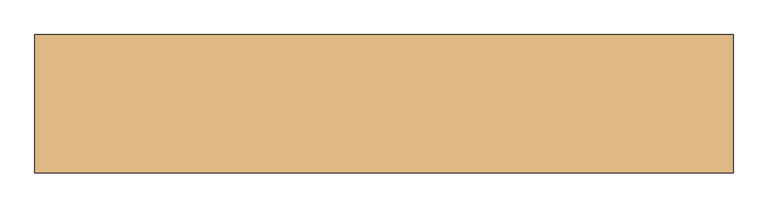
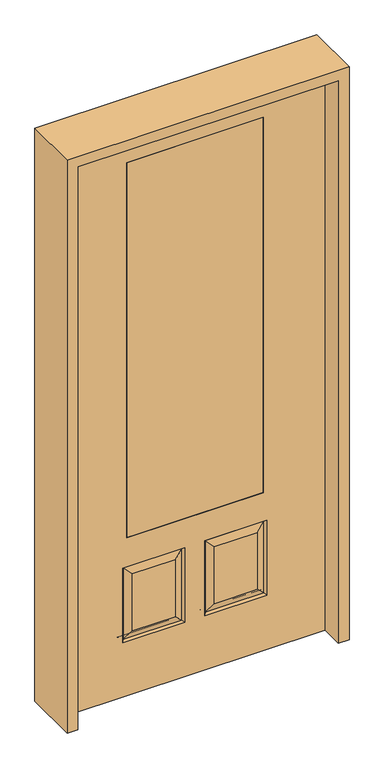
"""IFC4 building model written with IfcOpenShell, lengths in millimetres: door geometry."""

from ifc_helpers import new_model, si_unit, frame, origin, place, context, project, spatial, polyline, outline, extrude, faceted_brep, source, transform, mapped, element, save


def door_d18aa67b(model_context):
    return source(origin(), model_context, "Body", "SolidModel", [
        faceted_brep([(279.4, 20.6375, 685.8), (279.4, -20.6375, 685.8), (279.4, -20.6375, 2311.4), (279.4, 20.6375, 2311.4), (-279.4, 20.6375, 685.8), (-279.4, -20.6375, 685.8), (-80.1727627, 20.6375, 273.8477627), (-256.3772373, 20.6375, 273.8477627), (-256.3772373, 20.6375, 520.4102373), (-80.1727627, 20.6375, 520.4102373), (256.3772373, 20.6375, 273.8477627), (80.1727627, 20.6375, 273.8477627), (80.1727627, 20.6375, 520.4102373), (256.3772373, 20.6375, 520.4102373), (-533.4, 20.6375, 2438.4), (533.4, 20.6375, 2438.4), (533.4, 20.6375, 0.0), (-533.4, 20.6375, 0.0), (-279.4, 20.6375, 2311.4), (-295.275, 20.6375, 234.95), (-41.275, 20.6375, 234.95), (-41.275, 20.6375, 559.308), (-295.275, 20.6375, 559.308), (41.275, 20.6375, 234.95), (295.275, 20.6375, 234.95), (295.275, 20.6375, 559.308), (41.275, 20.6375, 559.308), (-279.4, -20.6375, 2311.4), (80.1727627, -20.6375, 273.8477627), (256.3772373, -20.6375, 273.8477627), (256.3772373, -20.6375, 520.4102373), (80.1727627, -20.6375, 520.4102373), (-256.3772373, -20.6375, 273.8477627), (-80.1727627, -20.6375, 273.8477627), (-80.1727627, -20.6375, 520.4102373), (-256.3772373, -20.6375, 520.4102373), (533.4, -20.6375, 2438.4), (-533.4, -20.6375, 2438.4), (-533.4, -20.6375, 0.0), (533.4, -20.6375, 0.0), (295.275, -20.6375, 234.95), (41.275, -20.6375, 234.95), (41.275, -20.6375, 559.308), (295.275, -20.6375, 559.308), (-41.275, -20.6375, 234.95), (-295.275, -20.6375, 234.95), (-295.275, -20.6375, 559.308), (-41.275, -20.6375, 559.308), (-287.8714647, 11.4399763, 242.3535353), (-48.6785353, 11.4399763, 242.3535353), (-48.6785353, 11.4399763, 551.9044647), (-287.8714647, 11.4399763, 551.9044647), (48.6785353, 11.4399763, 242.3535353), (287.8714647, 11.4399763, 242.3535353), (287.8714647, 11.4399763, 551.9044647), (48.6785353, 11.4399763, 551.9044647), (287.8714647, -11.4399763, 242.3535353), (48.6785353, -11.4399763, 242.3535353), (48.6785353, -11.4399763, 551.9044647), (287.8714647, -11.4399763, 551.9044647), (-48.6785353, -11.4399763, 242.3535353), (-287.8714647, -11.4399763, 242.3535353), (-287.8714647, -11.4399763, 551.9044647), (-48.6785353, -11.4399763, 551.9044647)], [[[0, 1, 2, 3]], [[1, 0, 4, 5]], [[6, 7, 8, 9]], [[10, 11, 12, 13]], [[14, 15, 16, 17], [4, 0, 3, 18], [19, 20, 21, 22], [23, 24, 25, 26]], [[5, 4, 18, 27]], [[28, 29, 30, 31]], [[32, 33, 34, 35]], [[36, 37, 38, 39], [1, 5, 27, 2], [40, 41, 42, 43], [44, 45, 46, 47]], [[39, 38, 17, 16]], [[37, 14, 17, 38]], [[15, 36, 39, 16]], [[19, 48, 49, 20]], [[20, 49, 50, 21]], [[51, 22, 21, 50]], [[48, 19, 22, 51]], [[49, 48, 7, 6]], [[7, 48, 51, 8]], [[8, 51, 50, 9]], [[49, 6, 9, 50]], [[52, 53, 24, 23]], [[24, 53, 54, 25]], [[25, 54, 55, 26]], [[52, 23, 26, 55]], [[53, 52, 11, 10]], [[11, 52, 55, 12]], [[54, 13, 12, 55]], [[53, 10, 13, 54]], [[40, 56, 57, 41]], [[41, 57, 58, 42]], [[59, 43, 42, 58]], [[56, 40, 43, 59]], [[57, 56, 29, 28]], [[29, 56, 59, 30]], [[30, 59, 58, 31]], [[57, 28, 31, 58]], [[60, 61, 45, 44]], [[45, 61, 62, 46]], [[46, 62, 63, 47]], [[60, 44, 47, 63]], [[61, 60, 33, 32]], [[33, 60, 63, 34]], [[62, 35, 34, 63]], [[61, 32, 35, 62]], [[3, 2, 27, 18]], [[36, 15, 14, 37]]]),
        extrude(outline(polyline([(279.4, -20.6375), (-279.4, -20.6375), (-279.4, 20.6375), (279.4, 20.6375), (279.4, -20.6375)])), frame((0.0, 0.0, 685.8), z_axis=(0.0, 0.0, 1.0), x_axis=(1.0, 0.0, 0.0)), (0.0, 0.0, 1.0), 1625.6),
        extrude(outline(polyline([(2482.85, -577.85), (0.0, -577.85), (0.0, -533.4), (2438.4, -533.4), (2438.4, 533.4), (0.0, 533.4), (0.0, 577.85), (2482.85, 577.85), (2482.85, -577.85)])), frame((0.0, -114.3, 0.0), z_axis=(0.0, 1.0, 0.0), x_axis=(0.0, 0.0, 1.0)), (0.0, 0.0, 1.0), 228.6),
    ])


if __name__ == "__main__":
    model = new_model("IFC4")
    model_context = context("Model", 3, world=origin())
    ifc_project = project(units=[si_unit("LENGTHUNIT", "METRE", prefix="MILLI")], contexts=[model_context])
    site = spatial("IfcSite", under=ifc_project)
    building = spatial("IfcBuilding", under=site)
    placement = place(None, origin())
    door_shape = door_d18aa67b(model_context)
    element("IfcDoor", 1, at=placement, inside=building, context=model_context, shape_type="MappedRepresentation", body=[
        mapped(door_shape, transform((0.0, 0.0, 0.0), x_axis=(1.0, 0.0, 0.0), y_axis=(0.0, 1.0, 0.0), z_axis=(0.0, 0.0, 1.0))),
    ])
    save(model, "model.ifc")
